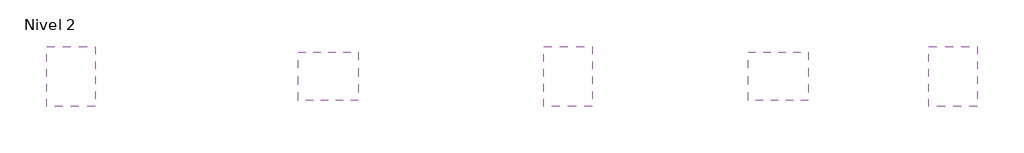
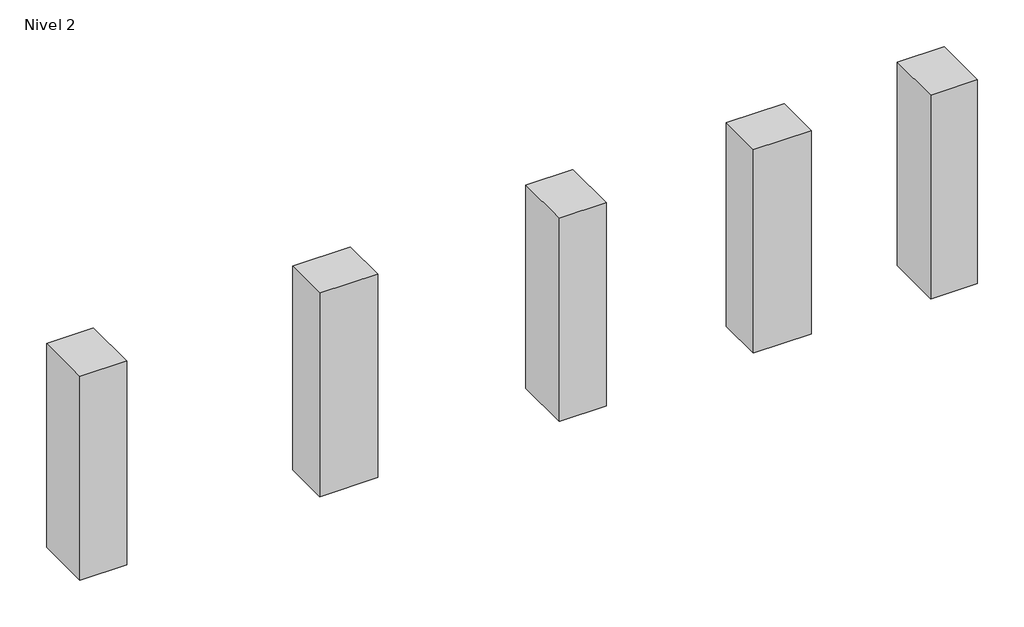
# One storey: 5 proxies.
"""IFC4 building model written with IfcOpenShell, lengths in millimetres."""

from ifc_helpers import new_model, si_unit, frame, origin, place, context, project, spatial, polyline, outline, extrude, element, save

model = new_model("IFC4")

# Units and contexts
model_context = context("Model", 3, world=origin())
ifc_project = project(units=[si_unit("LENGTHUNIT", "METRE", prefix="MILLI")], contexts=[model_context])

# Site, building, storey
site = spatial("IfcSite", under=ifc_project)
building = spatial("IfcBuilding", under=site)
storey = spatial("IfcBuildingStorey", under=building, Name="Nivel 2", Elevation=3000.0)

# Proxies
placement = place(None, origin())
element("IfcBuildingElementProxy", 1, Name="Mass", at=placement, inside=storey, context=model_context, shape_type="SweptSolid", body=[
    extrude(outline(polyline([(-8485.6583375, 714.3774463), (-8485.6583375, -75.6225537), (-9125.6583375, -75.6225537), (-9125.6583375, 714.3774463), (-8485.6583375, 714.3774463)])), frame((0.0, 0.0, 5880.0), z_axis=(0.0, 0.0, 1.0), x_axis=(1.0, 0.0, 0.0)), (0.0, 0.0, 1.0), 2940.0),
])
element("IfcBuildingElementProxy", 2, Name="Mass", at=placement, inside=storey, context=model_context, shape_type="SweptSolid", body=[
    extrude(outline(polyline([(-5811.5775931, 639.3774463), (-5021.5775931, 639.3774463), (-5021.5775931, -0.6225537), (-5811.5775931, -0.6225537), (-5811.5775931, 639.3774463)])), frame((0.0, 0.0, 5880.0), z_axis=(0.0, 0.0, 1.0), x_axis=(1.0, 0.0, 0.0)), (0.0, 0.0, 1.0), 2940.0),
])
element("IfcBuildingElementProxy", 3, Name="Mass", at=placement, inside=storey, context=model_context, shape_type="SweptSolid", body=[
    extrude(outline(polyline([(-2584.4839027, -75.6225537), (-2584.4839027, 714.3774463), (-1944.4839027, 714.3774463), (-1944.4839027, -75.6225537), (-2584.4839027, -75.6225537)])), frame((0.0, 0.0, 5880.0), z_axis=(0.0, 0.0, 1.0), x_axis=(1.0, 0.0, 0.0)), (0.0, 0.0, 1.0), 2940.0),
])
element("IfcBuildingElementProxy", 4, Name="Mass", at=placement, inside=storey, context=model_context, shape_type="SweptSolid", body=[
    extrude(outline(polyline([(899.4646198, -0.6225537), (109.4646198, -0.6225537), (109.4646198, 639.3774463), (899.4646198, 639.3774463), (899.4646198, -0.6225537)])), frame((0.0, 0.0, 5880.0), z_axis=(0.0, 0.0, 1.0), x_axis=(1.0, 0.0, 0.0)), (0.0, 0.0, 1.0), 2940.0),
])
element("IfcBuildingElementProxy", 5, Name="Mass", at=placement, inside=storey, context=model_context, shape_type="SweptSolid", body=[
    extrude(outline(polyline([(3123.2540534, 714.3774463), (3123.2540534, -75.6225537), (2483.2540534, -75.6225537), (2483.2540534, 714.3774463), (3123.2540534, 714.3774463)])), frame((0.0, 0.0, 5880.0), z_axis=(0.0, 0.0, 1.0), x_axis=(1.0, 0.0, 0.0)), (0.0, 0.0, 1.0), 2940.0),
])

save(model, "model.ifc")
